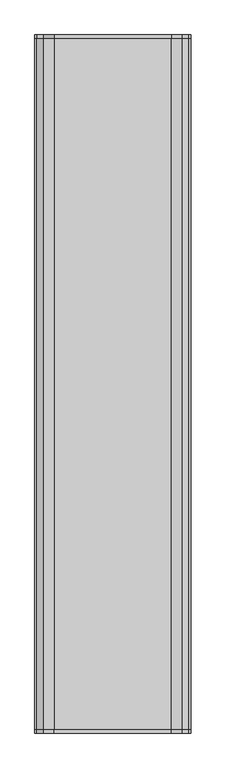
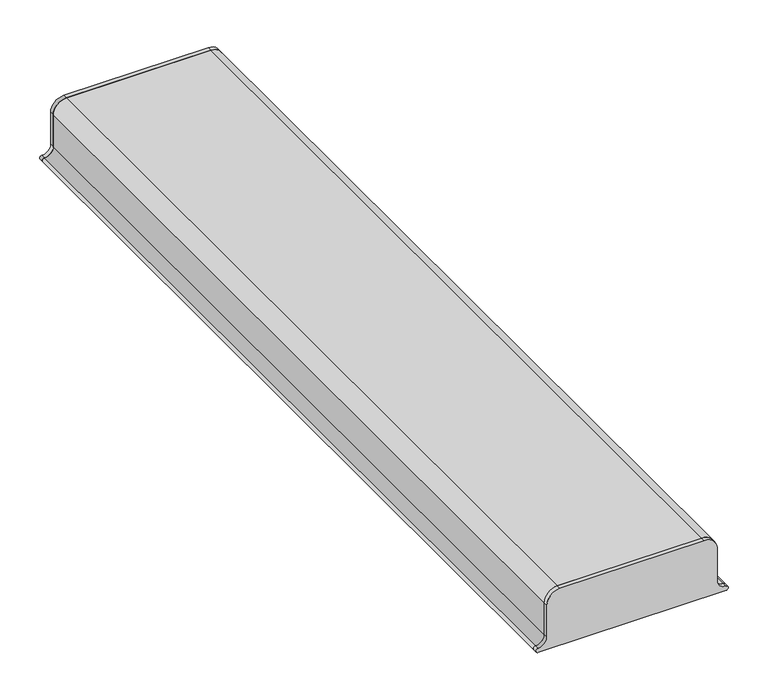
"""IFC4 building model written with IfcOpenShell, lengths in millimetres: proxy geometry."""

from ifc_helpers import new_model, si_unit, point, frame, frame_2d, origin, place, context, project, spatial, polyline, circle_curve, trimmed, segment, composite_curve, outline, extrude, source, transform, mapped, element, save


def generic_models_d4e43aa1(model_context):
    return source(origin(), model_context, "Body", "SweptSolid", [
        extrude(outline(composite_curve([segment(trimmed(circle_curve(frame_2d((431.1687819, 235.6397011)), 12.7), [point((418.4687819, 235.6397011))], [point((431.1687819, 222.9397011))], True, "CARTESIAN"), True, "CONTINUOUS"), segment(polyline([(431.1687819, 222.9397011), (482.3425919, 222.9397011)]), True, "CONTINUOUS"), segment(trimmed(circle_curve(frame_2d((480.3119736, 203.9982362)), 19.05), [point((482.3425919, 222.9397011))], [point((499.3619736, 203.9982362))], False, "CARTESIAN"), True, "CONTINUOUS"), segment(polyline([(499.3619736, 203.9982362), (499.3619736, -5.6602989)]), True, "CONTINUOUS"), segment(trimmed(circle_curve(frame_2d((480.3119736, -5.6602989)), 19.05), [point((499.3619736, -5.6602989))], [point((480.3119736, -24.7102989))], False, "CARTESIAN"), True, "CONTINUOUS"), segment(polyline([(480.3119736, -24.7102989), (431.1687819, -24.7102989)]), True, "CONTINUOUS"), segment(trimmed(circle_curve(frame_2d((431.1687819, -37.4102989)), 12.7), [point((431.1687819, -24.7102989))], [point((418.4687819, -37.4102989))], True, "CARTESIAN"), True, "CONTINUOUS"), segment(trimmed(circle_curve(frame_2d((415.2937819, -37.4102989)), 3.175), [point((418.4687819, -37.4102989))], [point((412.1187819, -37.4102989))], False, "CARTESIAN"), True, "CONTINUOUS"), segment(polyline([(412.1187819, -37.4102989), (412.1187819, 235.6397011)]), True, "CONTINUOUS"), segment(trimmed(circle_curve(frame_2d((415.2937819, 235.6397011)), 3.175), [point((412.1187819, 235.6397011))], [point((418.4687819, 235.6397011))], False, "CARTESIAN"), True, "CONTINUOUS")], self_intersect=False)), frame((0.0, 617.934375, 0.0), z_axis=(0.0, 1.0, 0.0), x_axis=(0.0, 0.0, 1.0)), (0.0, 0.0, 1.0), 6.35),
        extrude(outline(composite_curve([segment(trimmed(circle_curve(frame_2d((431.1687819, -37.4102989)), 12.7), [point((431.1687819, -24.7102989))], [point((418.4687819, -37.4102989))], True, "CARTESIAN"), True, "CONTINUOUS"), segment(trimmed(circle_curve(frame_2d((415.2937819, -37.4102989)), 3.175), [point((418.4687819, -37.4102989))], [point((412.1187819, -37.4102989))], False, "CARTESIAN"), True, "CONTINUOUS"), segment(polyline([(412.1187819, -37.4102989), (412.1187819, 235.6397011)]), True, "CONTINUOUS"), segment(trimmed(circle_curve(frame_2d((415.2937819, 235.6397011)), 3.175), [point((412.1187819, 235.6397011))], [point((418.4687819, 235.6397011))], False, "CARTESIAN"), True, "CONTINUOUS"), segment(trimmed(circle_curve(frame_2d((431.1687819, 235.6397011)), 12.7), [point((418.4687819, 235.6397011))], [point((431.1687819, 222.9397011))], True, "CARTESIAN"), True, "CONTINUOUS"), segment(polyline([(431.1687819, 222.9397011), (482.3425919, 222.9397011)]), True, "CONTINUOUS"), segment(trimmed(circle_curve(frame_2d((480.3119736, 203.9982362)), 19.05), [point((482.3425919, 222.9397011))], [point((499.3619736, 203.9982362))], False, "CARTESIAN"), True, "CONTINUOUS"), segment(polyline([(499.3619736, 203.9982362), (499.3619736, -5.6602989)]), True, "CONTINUOUS"), segment(trimmed(circle_curve(frame_2d((480.3119736, -5.6602989)), 19.05), [point((499.3619736, -5.6602989))], [point((480.3119736, -24.7102989))], False, "CARTESIAN"), True, "CONTINUOUS"), segment(polyline([(480.3119736, -24.7102989), (431.1687819, -24.7102989)]), True, "CONTINUOUS")], self_intersect=False)), frame((0.0, -624.284375, 0.0), z_axis=(0.0, 1.0, 0.0), x_axis=(0.0, 0.0, 1.0)), (0.0, 0.0, 1.0), 6.35),
        extrude(outline(composite_curve([segment(trimmed(circle_curve(frame_2d((480.3119736, -5.6602989)), 19.05), [point((499.3619736, -5.6602989))], [point((480.3119736, -24.7102989))], False, "CARTESIAN"), True, "CONTINUOUS"), segment(polyline([(480.3119736, -24.7102989), (431.1687819, -24.7102989)]), True, "CONTINUOUS"), segment(trimmed(circle_curve(frame_2d((431.1687819, -37.4102989)), 12.7), [point((431.1687819, -24.7102989))], [point((418.4687819, -37.4102989))], True, "CARTESIAN"), True, "CONTINUOUS"), segment(trimmed(circle_curve(frame_2d((415.2937819, -37.4102989)), 3.175), [point((418.4687819, -37.4102989))], [point((412.1187819, -37.4102989))], False, "CARTESIAN"), True, "CONTINUOUS"), segment(trimmed(circle_curve(frame_2d((431.1687819, -37.4102989)), 19.05), [point((412.1187819, -37.4102989))], [point((431.1687819, -18.3602989))], False, "CARTESIAN"), True, "CONTINUOUS"), segment(polyline([(431.1687819, -18.3602989), (480.3119736, -18.3602989)]), True, "CONTINUOUS"), segment(trimmed(circle_curve(frame_2d((480.3119736, -5.6602989)), 12.7), [point((480.3119736, -18.3602989))], [point((493.0119736, -5.6602989))], True, "CARTESIAN"), True, "CONTINUOUS"), segment(polyline([(493.0119736, -5.6602989), (493.0119736, 203.9982362)]), True, "CONTINUOUS"), segment(trimmed(circle_curve(frame_2d((480.3119736, 203.9982362)), 12.7), [point((493.0119736, 203.9982362))], [point((481.9687819, 216.5897011))], True, "CARTESIAN"), True, "CONTINUOUS"), segment(polyline([(481.9687819, 216.5897011), (431.1687819, 216.5897011)]), True, "CONTINUOUS"), segment(trimmed(circle_curve(frame_2d((431.1687819, 235.6397011)), 19.05), [point((431.1687819, 216.5897011))], [point((412.1187819, 235.6397011))], False, "CARTESIAN"), True, "CONTINUOUS"), segment(trimmed(circle_curve(frame_2d((415.2937819, 235.6397011)), 3.175), [point((412.1187819, 235.6397011))], [point((418.4687819, 235.6397011))], False, "CARTESIAN"), True, "CONTINUOUS"), segment(trimmed(circle_curve(frame_2d((431.1687819, 235.6397011)), 12.7), [point((418.4687819, 235.6397011))], [point((431.1687819, 222.9397011))], True, "CARTESIAN"), True, "CONTINUOUS"), segment(polyline([(431.1687819, 222.9397011), (482.3425919, 222.9397011)]), True, "CONTINUOUS"), segment(trimmed(circle_curve(frame_2d((480.3119736, 203.9982362)), 19.05), [point((482.3425919, 222.9397011))], [point((499.3619736, 203.9982362))], False, "CARTESIAN"), True, "CONTINUOUS"), segment(polyline([(499.3619736, 203.9982362), (499.3619736, -5.6602989)]), True, "CONTINUOUS")], self_intersect=False)), frame((0.0, -617.934375, 0.0), z_axis=(0.0, 1.0, 0.0), x_axis=(0.0, 0.0, 1.0)), (0.0, 0.0, 1.0), 1235.86875),
    ])


if __name__ == "__main__":
    model = new_model("IFC4")
    model_context = context("Model", 3, world=origin())
    ifc_project = project(units=[si_unit("LENGTHUNIT", "METRE", prefix="MILLI")], contexts=[model_context])
    site = spatial("IfcSite", under=ifc_project)
    building = spatial("IfcBuilding", under=site)
    placement = place(None, origin())
    generic_models_shape = generic_models_d4e43aa1(model_context)
    element("IfcBuildingElementProxy", 1, Name="Generic Models", at=placement, inside=building, context=model_context, shape_type="MappedRepresentation", body=[
        mapped(generic_models_shape, transform((0.0, 0.0, 0.0), x_axis=(1.0, 0.0, 0.0), y_axis=(0.0, 1.0, 0.0), z_axis=(0.0, 0.0, 1.0))),
    ])
    save(model, "model.ifc")
